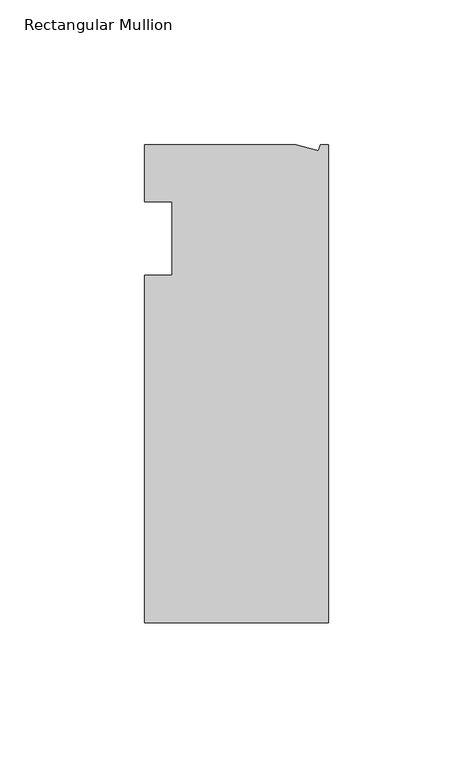
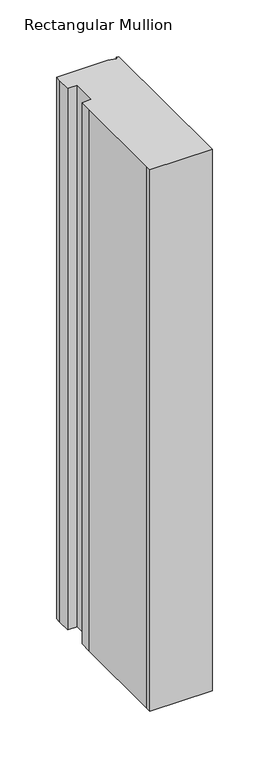
"""IFC4 building model written with IfcOpenShell, lengths in millimetres: member geometry, Rectangular Mullion."""

from ifc_helpers import new_model, si_unit, frame, origin, place, context, project, spatial, polyline, outline, extrude, source, transform, mapped, element, save


def rectangular_mullion_36219c93(model_context):
    return source(origin(), model_context, "Body", "SweptSolid", [
        extrude(outline(polyline([(-11.1265412, 19.6597595), (-3.3457217, 17.5748952), (-2.787084, 19.6597595), (0.0, 19.6597595), (0.0, -145.4402405), (-63.5, -145.4402405), (-63.5, -139.091245), (-63.5, -38.3358837), (-63.5, -25.4), (-53.975, -25.4), (-53.975, 0.0), (-63.5, 0.0), (-63.5, 13.6200033), (-63.5, 19.6597595), (-11.1265412, 19.6597595)])), frame((0.0, 0.0, -584.2), z_axis=(0.0, 0.0, 1.0), x_axis=(1.0, 0.0, 0.0)), (0.0, 0.0, 1.0), 584.2),
    ])


if __name__ == "__main__":
    model = new_model("IFC4")
    model_context = context("Model", 3, world=origin())
    ifc_project = project(units=[si_unit("LENGTHUNIT", "METRE", prefix="MILLI")], contexts=[model_context])
    site = spatial("IfcSite", under=ifc_project)
    building = spatial("IfcBuilding", under=site)
    placement = place(None, origin())
    rectangular_mullion_shape = rectangular_mullion_36219c93(model_context)
    element("IfcMember", 1, ObjectType="Rectangular Mullion", at=placement, inside=building, context=model_context, shape_type="MappedRepresentation", body=[
        mapped(rectangular_mullion_shape, transform((0.0, 0.0, 0.0), x_axis=(1.0, 0.0, 0.0), y_axis=(0.0, 1.0, 0.0), z_axis=(0.0, 0.0, 1.0))),
    ])
    save(model, "model.ifc")
